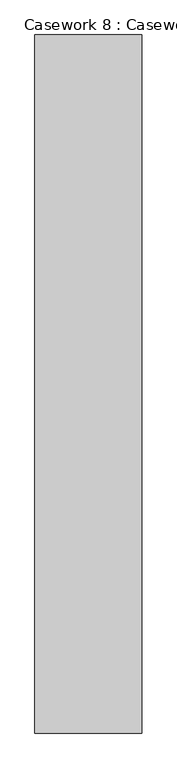
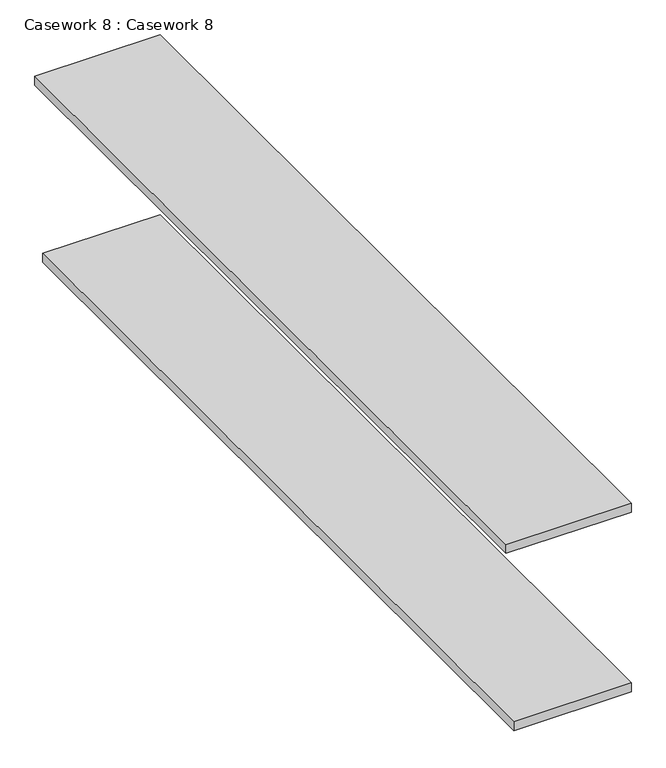
"""IFC4 building model written with IfcOpenShell, lengths in millimetres: furniture geometry, Casework 8 : Casework 8."""

from ifc_helpers import new_model, si_unit, frame, origin, place, context, project, spatial, polyline, outline, extrude, source, transform, mapped, element, save


def casework_8_casework_8_7f6c49ba(model_context):
    return source(origin(), model_context, "Body", "SweptSolid", [
        extrude(outline(polyline([(-13033.9969605, 6718.2814024), (-13393.7898028, 6718.2814024), (-13393.7898028, 9066.4037746), (-13033.9969605, 9066.4037746), (-13033.9969605, 6718.2814024)])), frame((0.0, 0.0, -4725.1925184), z_axis=(0.0, 0.0, 1.0), x_axis=(1.0, 0.0, 0.0)), (0.0, 0.0, 1.0), 26.3684325),
        extrude(outline(polyline([(-13033.9969605, 6718.2814024), (-13371.5648028, 6718.2814024), (-13371.5648028, 9066.4037746), (-13033.9969605, 9066.4037746), (-13033.9969605, 6718.2814024)])), frame((0.0, 0.0, -5271.2925184), z_axis=(0.0, 0.0, 1.0), x_axis=(1.0, 0.0, 0.0)), (0.0, 0.0, 1.0), 26.3684325),
    ])


if __name__ == "__main__":
    model = new_model("IFC4")
    model_context = context("Model", 3, world=origin())
    ifc_project = project(units=[si_unit("LENGTHUNIT", "METRE", prefix="MILLI")], contexts=[model_context])
    site = spatial("IfcSite", under=ifc_project)
    building = spatial("IfcBuilding", under=site)
    placement = place(None, origin())
    casework_8_casework_8_shape = casework_8_casework_8_7f6c49ba(model_context)
    element("IfcFurniture", 1, ObjectType="Casework 8 : Casework 8", at=placement, inside=building, context=model_context, shape_type="MappedRepresentation", body=[
        mapped(casework_8_casework_8_shape, transform((0.0, 0.0, 0.0), x_axis=(1.0, 0.0, 0.0), y_axis=(0.0, 1.0, 0.0), z_axis=(0.0, 0.0, 1.0))),
    ])
    save(model, "model.ifc")
